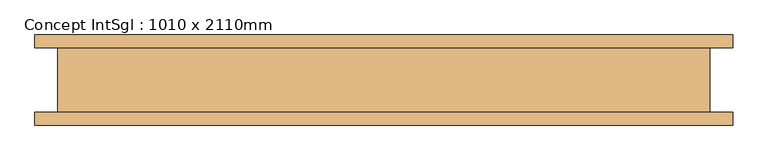
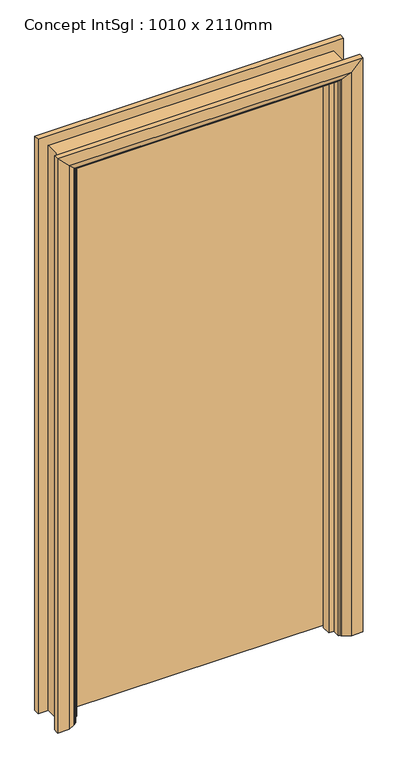
"""IFC4 building model written with IfcOpenShell, lengths in millimetres: door geometry, Concept IntSgl : 1010 x 2110mm."""

import ifcopenshell
import ifcopenshell.guid

model = None  # the IFC model being written
_history = None  # IfcOwnerHistory: only IFC2X3 demands one
_inside = {}  # id of a spatial element -> (the spatial element, [elements in it])
_under = {}  # id of a project, library or spatial element -> (it, [spatial elements below it])
_declared = {}  # id of a project -> (the project, [libraries it declares])
_typed = {}  # id of a type object -> (the type object, [elements of that type])
_made_of = {}  # id of a material, layer set ... -> (it, [elements and type objects made of it])


def new_model(schema):
    """Start an empty IFC model of exactly this schema.

    Asked for "IFC4X3", IfcOpenShell would pick the latest addendum, in which some entities
    have other attributes; the version numbers below select the first issue.
    IFC2X3 requires an IfcOwnerHistory on every rooted entity: one is made here for all.
    """
    global model, _history
    if schema == "IFC4X3":
        model = ifcopenshell.file(schema_version=(4, 3, 0, 0))
    else:
        model = ifcopenshell.file(schema=schema)
    _inside.clear()
    _under.clear()
    _declared.clear()
    _typed.clear()
    _made_of.clear()
    _history = None
    if model.schema == "IFC2X3":
        org = make("IfcOrganization", Name="unknown")
        user = make(
            "IfcPersonAndOrganization",
            ThePerson=make("IfcPerson", FamilyName="unknown"),
            TheOrganization=org,
        )
        app = make(
            "IfcApplication",
            ApplicationDeveloper=org,
            Version="unknown",
            ApplicationFullName="unknown",
            ApplicationIdentifier="unknown",
        )
        _history = make(
            "IfcOwnerHistory",
            OwningUser=user,
            OwningApplication=app,
            ChangeAction="ADDED",
            CreationDate=0,
        )
    return model


def make(cls, **values):
    """One entity of the class cls with the attributes given. An attribute that is None is left unset."""
    return model.create_entity(
        cls, **{name: value for name, value in values.items() if value is not None}
    )


def rooted(cls, **values):
    """An entity with a GlobalId (a new one), such as an element, a storey or a relation."""
    return make(cls, GlobalId=ifcopenshell.guid.new(), OwnerHistory=_history, **values)


def si_unit(unit_type, name, prefix=None):
    """IfcSIUnit, for example si_unit("LENGTHUNIT", "METRE", prefix="MILLI")."""
    return make("IfcSIUnit", UnitType=unit_type, Prefix=prefix, Name=name)


def assignment(units):
    """IfcUnitAssignment: the units of a project."""
    return None if units is None else make("IfcUnitAssignment", Units=units)


def point(xyz):
    """IfcCartesianPoint."""
    return None if xyz is None else make("IfcCartesianPoint", Coordinates=xyz)


def direction(xyz):
    """IfcDirection."""
    return None if xyz is None else make("IfcDirection", DirectionRatios=xyz)


def frame(location, z_axis=None, x_axis=None):
    """IfcAxis2Placement3D, a coordinate frame: its origin and axes. An axis left out is left unset."""
    return make(
        "IfcAxis2Placement3D",
        Location=point(location),
        Axis=direction(z_axis),
        RefDirection=direction(x_axis),
    )


def origin():
    """The frame at (0, 0, 0) with its axes left unset."""
    return frame((0.0, 0.0, 0.0))


def place(relative_to, where):
    """IfcLocalPlacement: puts the frame where relative to a parent placement (None: the world)."""
    return make(
        "IfcLocalPlacement", PlacementRelTo=relative_to, RelativePlacement=where
    )


def context(
    kind, dimensions, precision=None, world=None, true_north=None, identifier=None
):
    """IfcGeometricRepresentationContext, for example the 3D "Model" context."""
    return make(
        "IfcGeometricRepresentationContext",
        ContextIdentifier=identifier,
        ContextType=kind,
        CoordinateSpaceDimension=dimensions,
        Precision=precision,
        WorldCoordinateSystem=world,
        TrueNorth=true_north,
    )


def project(units=None, contexts=None):
    """IfcProject with its units and contexts."""
    return rooted(
        "IfcProject",
        Name="project",
        RepresentationContexts=contexts,
        UnitsInContext=assignment(units),
    )


def spatial(cls, under=None, at=None, **own):
    """A site, building, storey or space (cls), placed at a placement, below another one or the project."""
    s = rooted(cls, ObjectPlacement=at, **own)
    if under is not None:
        _under.setdefault(under.id(), (under, []))[1].append(s)
    return s


def polyline(points):
    """IfcPolyline through the points."""
    return make("IfcPolyline", Points=[point(p) for p in points])


def circle_curve(where, radius):
    """IfcCircle in the frame where."""
    return make("IfcCircle", Position=where, Radius=radius)


def ellipse_curve(where, semi_axis1, semi_axis2):
    """IfcEllipse in the frame where."""
    return make(
        "IfcEllipse", Position=where, SemiAxis1=semi_axis1, SemiAxis2=semi_axis2
    )


def outline(outer, holes=None, kind="AREA"):
    """IfcArbitraryClosedProfileDef: a profile drawn as a closed curve; with holes, ...WithVoids."""
    if holes is None:
        return make("IfcArbitraryClosedProfileDef", ProfileType=kind, OuterCurve=outer)
    return make(
        "IfcArbitraryProfileDefWithVoids",
        ProfileType=kind,
        OuterCurve=outer,
        InnerCurves=holes,
    )


def extrude(swept, where, along, depth):
    """IfcExtrudedAreaSolid: the profile swept, set in the frame where, extruded along a direction by depth."""
    return make(
        "IfcExtrudedAreaSolid",
        SweptArea=swept,
        Position=where,
        ExtrudedDirection=direction(along),
        Depth=depth,
    )


def faces_of(points, faces, orient=None, outer=None):
    """IfcFace entities. A face is a list of loops; a loop is a list of indices into points, from 0.

    orient and outer hold one flag for each loop. By default every Orientation is true, the
    first loop of a face is its IfcFaceOuterBound and the others are IfcFaceBound.
    """
    made = []
    for i, loops in enumerate(faces):
        bounds = []
        for j, loop in enumerate(loops):
            is_outer = j == 0 if outer is None else outer[i][j]
            bounds.append(
                make(
                    "IfcFaceOuterBound" if is_outer else "IfcFaceBound",
                    Bound=make("IfcPolyLoop", Polygon=[points[k] for k in loop]),
                    Orientation=True if orient is None else orient[i][j],
                )
            )
        made.append(make("IfcFace", Bounds=bounds))
    return made


def faceted_brep(points, faces, orient=None, outer=None, voids=None):
    """IfcFacetedBrep: a solid bounded by flat faces; with voids (closed shells), ...WithVoids."""
    shared = [point(p) for p in points]
    hull = make("IfcClosedShell", CfsFaces=faces_of(shared, faces, orient, outer))
    if voids is None:
        return make("IfcFacetedBrep", Outer=hull)
    return make(
        "IfcFacetedBrepWithVoids",
        Outer=hull,
        Voids=[
            make(cls, CfsFaces=faces_of(shared, fs, o, b)) for cls, fs, o, b in voids
        ],
    )


def shape(context_of_items, identifier, shape_type, items):
    """IfcShapeRepresentation: the items that make up one representation, for example the "Body"."""
    return make(
        "IfcShapeRepresentation",
        ContextOfItems=context_of_items,
        RepresentationIdentifier=identifier,
        RepresentationType=shape_type,
        Items=items,
    )


def source(mapping_origin, context_of_items, identifier, shape_type, items):
    """IfcRepresentationMap: a shape defined once, which mapped items show again and again."""
    return make(
        "IfcRepresentationMap",
        MappingOrigin=mapping_origin,
        MappedRepresentation=shape(context_of_items, identifier, shape_type, items),
    )


def transform(
    local_origin,
    x_axis=None,
    y_axis=None,
    z_axis=None,
    scale=None,
    scale2=None,
    scale3=None,
    uniform=True,
):
    """IfcCartesianTransformationOperator3D, or its non-uniform kind. x_axis, y_axis, z_axis: its Axis1, 2, 3."""
    if uniform:
        return make(
            "IfcCartesianTransformationOperator3D",
            Axis1=direction(x_axis),
            Axis2=direction(y_axis),
            LocalOrigin=point(local_origin),
            Scale=scale,
            Axis3=direction(z_axis),
        )
    return make(
        "IfcCartesianTransformationOperator3DnonUniform",
        Axis1=direction(x_axis),
        Axis2=direction(y_axis),
        LocalOrigin=point(local_origin),
        Scale=scale,
        Axis3=direction(z_axis),
        Scale2=scale2,
        Scale3=scale3,
    )


def mapped(mapping_source, mapping_target):
    """IfcMappedItem: shows the shape of a source again, moved by a transform."""
    return make(
        "IfcMappedItem", MappingSource=mapping_source, MappingTarget=mapping_target
    )


def made_of(thing, what):
    """Note that an element or type object is made of a material, layer set ...; save() writes the relation."""
    if what is not None:
        _made_of.setdefault(what.id(), (what, []))[1].append(thing)
    return thing


def element(
    cls,
    number,
    at=None,
    inside=None,
    cuts=None,
    type_object=None,
    material=None,
    context=None,
    identifier="Body",
    shape_type=None,
    held_by="IfcProductDefinitionShape",
    body=None,
    shapes=None,
    **own,
):
    """One element of the class cls, such as IfcWall. Its Tag is "e" and its number.

    at: its placement. inside: the storey or other place that contains it. cuts: it is an
    opening in that element (IfcRelVoidsElement). A single representation is given by context,
    identifier, shape_type and body (its items); several are given by shapes. held_by: the class
    of the entity that holds the representations. save() writes the other relations.
    """
    e = rooted(cls, Tag="e%d" % number, ObjectPlacement=at, **own)
    if body is not None:
        shapes = [shape(context, identifier, shape_type, body)]
    if shapes is not None:
        e.Representation = make(held_by, Representations=shapes)
    if inside is not None:
        _inside.setdefault(inside.id(), (inside, []))[1].append(e)
    if cuts is not None:
        rooted(
            "IfcRelVoidsElement", RelatingBuildingElement=cuts, RelatedOpeningElement=e
        )
    if type_object is not None:
        _typed.setdefault(type_object.id(), (type_object, []))[1].append(e)
    return made_of(e, material)


def aggregate(whole, parts):
    """IfcRelAggregates: a whole, such as a stair, and the parts it consists of."""
    return rooted("IfcRelAggregates", RelatingObject=whole, RelatedObjects=parts)


def save(model, path):
    """Write the relations noted so far, then the file.

    IfcRelAggregates (storeys below a building ...), IfcRelContainedInSpatialStructure (elements
    in a storey), IfcRelDefinesByType, IfcRelAssociatesMaterial and IfcRelDeclares: one each for
    every whole, place, type object, material and project.
    """
    for whole, parts in _under.values():
        aggregate(whole, parts)
    for where, things in _inside.values():
        rooted(
            "IfcRelContainedInSpatialStructure",
            RelatedElements=things,
            RelatingStructure=where,
        )
    for kind, things in _typed.values():
        rooted("IfcRelDefinesByType", RelatedObjects=things, RelatingType=kind)
    for what, things in _made_of.values():
        rooted("IfcRelAssociatesMaterial", RelatedObjects=things, RelatingMaterial=what)
    for by, libraries in _declared.values():
        rooted("IfcRelDeclares", RelatingContext=by, RelatedDefinitions=libraries)
    model.write(path)


def plane_surface(at):
    """IfcPlane: the flat surface through the origin of the frame at, square to its z axis."""
    return make("IfcPlane", Position=at)


def cylinder_surface(at, radius):
    """IfcCylindricalSurface: all points at the distance radius from the z axis of the frame at."""
    return make("IfcCylindricalSurface", Position=at, Radius=radius)


def advanced_brep(points, edges, surfaces, faces):
    """IfcAdvancedBrep: a solid bounded by faces that lie on surfaces and meet in shared edges.

    An edge is (start, end): straight between two places in points (the first is 0);
    or (start, end, curve); or (start, end, curve, False) where it runs against its curve.
    A face is (place in surfaces, loops), or (place, loops, False) where it looks against
    its surface's normal. A loop lists edges by number (the first is 1), with a minus sign
    where the edge is run from its end to its start. The first loop is the outer one.
    """
    corners = [point(p) for p in points]
    vertices = [make("IfcVertexPoint", VertexGeometry=c) for c in corners]
    made = []
    for start, end, *more in edges:
        made.append(
            make(
                "IfcEdgeCurve",
                EdgeStart=vertices[start],
                EdgeEnd=vertices[end],
                EdgeGeometry=more[0] if more else make("IfcPolyline", Points=[corners[start], corners[end]]),
                SameSense=more[1] if len(more) > 1 else True,
            )
        )
    hull = []
    for where, loops, *sense in faces:
        bounds = []
        for j, loop in enumerate(loops):
            ring = [make("IfcOrientedEdge", EdgeElement=made[abs(k) - 1], Orientation=k > 0) for k in loop]
            bounds.append(
                make(
                    "IfcFaceOuterBound" if j == 0 else "IfcFaceBound",
                    Bound=make("IfcEdgeLoop", EdgeList=ring),
                    Orientation=True,
                )
            )
        hull.append(make("IfcAdvancedFace", Bounds=bounds, FaceSurface=surfaces[where], SameSense=sense[0] if sense else True))
    return make("IfcAdvancedBrep", Outer=make("IfcClosedShell", CfsFaces=hull))


def concept_intsgl_1010_x_2110mm_6d8a6c71(model_context):
    return source(origin(), model_context, "Body", "SolidModel", [
        extrude(outline(polyline([(463.0, 12.0), (-463.0, 12.0), (-463.0, 50.0), (463.0, 50.0), (463.0, 12.0)])), frame((0.0, 0.0, 8.0), z_axis=(0.0, 0.0, 1.0), x_axis=(1.0, 0.0, 0.0)), (0.0, 0.0, 1.0), 2060.0),
        advanced_brep(
        [(540.0, 70.0, 0.0), (540.0, 50.0, 0.0), (470.0, 50.0, 0.0), (474.0, 56.0, 0.0), (500.0, 70.0, 0.0), (540.0, 70.0, 2145.0), (540.0, 50.0, 2145.0), (-540.0, 50.0, 2145.0), (-540.0, 50.0, 0.0), (-470.0, 50.0, 0.0), (-470.0, 50.0, 2075.0), (470.0, 50.0, 2075.0), (474.0, 56.0, 2079.0), (500.0, 70.0, 2105.0), (-500.0, 70.0, 2105.0), (-500.0, 70.0, 0.0), (-540.0, 70.0, 0.0), (-540.0, 70.0, 2145.0), (-474.0, 56.0, 0.0), (-474.0, 56.0, 2079.0)],
        [
            (0, 1),
            (1, 2),
            (2, 3, circle_curve(frame((478.0, 49.0, 0.0), z_axis=(0.0, 0.0, -1.0), x_axis=(1.0, 0.0, 0.0)), 8.0622577)),
            (3, 4),
            (4, 0),
            (0, 5),
            (5, 6),
            (6, 1),
            (6, 7),
            (7, 8),
            (8, 9),
            (9, 10),
            (10, 11),
            (11, 2),
            (11, 12, ellipse_curve(frame((478.0, 49.0, 2083.0), z_axis=(0.7071067811865475, 0.0, -0.7071067811865475), x_axis=(-0.7071067811865474, 0.0, -0.7071067811865476)), 11.4017543, 8.0622577)),
            (12, 3),
            (12, 13),
            (13, 4),
            (13, 14),
            (14, 15),
            (15, 16),
            (16, 17),
            (17, 5),
            (7, 17),
            (16, 8),
            (15, 18),
            (18, 9, circle_curve(frame((-478.0, 49.0, 0.0), z_axis=(0.0, 0.0, -1.0), x_axis=(-1.0, 0.0, 0.0)), 8.0622577)),
            (19, 10, ellipse_curve(frame((-478.0, 49.0, 2083.0), z_axis=(-0.7071067811865475, 0.0, -0.7071067811865475), x_axis=(-0.7071067811865474, 0.0, 0.7071067811865476)), 11.4017543, 8.0622577)),
            (18, 19),
            (14, 19),
            (19, 12),
        ],
        [
            plane_surface(frame((470.0, 50.0, 0.0), z_axis=(0.0, 0.0, -1.0), x_axis=(0.0, -1.0, 0.0))),
            plane_surface(frame((540.0, 70.0, 0.0), z_axis=(1.0, 0.0, 0.0), x_axis=(0.0, 0.0, 1.0))),
            plane_surface(frame((540.0, 50.0, 0.0), z_axis=(0.0, -1.0, 0.0), x_axis=(0.0, 0.0, 1.0))),
            cylinder_surface(frame((478.0, 49.0, 0.0), z_axis=(0.0, 0.0, -1.0), x_axis=(1.0, 0.0, 0.0)), 8.0622577),
            plane_surface(frame((474.0, 56.0, 0.0), z_axis=(-0.4740998230350126, 0.880471099922178, 0.0), x_axis=(0.0, 0.0, 1.0))),
            plane_surface(frame((500.0, 70.0, 0.0), z_axis=(0.0, 1.0, 0.0), x_axis=(0.0, 0.0, 1.0))),
            plane_surface(frame((-540.0, 70.0, 2145.0), z_axis=(-1.0, 0.0, 0.0), x_axis=(0.0, 0.0, -1.0))),
            plane_surface(frame((-470.0, 50.0, 0.0), z_axis=(0.0, 0.0, -1.0), x_axis=(0.0, -1.0, 0.0))),
            cylinder_surface(frame((-478.0, 49.0, 2075.0), z_axis=(0.0, 0.0, 1.0), x_axis=(-1.0, 0.0, 0.0)), 8.0622577),
            plane_surface(frame((-474.0, 56.0, 2079.0), z_axis=(0.47409982303501824, 0.8804710999221749, 0.0), x_axis=(0.0, 0.0, -1.0))),
            plane_surface(frame((540.0, 70.0, 2145.0), z_axis=(0.0, 0.0, 1.0), x_axis=(-1.0, 0.0, 0.0))),
            cylinder_surface(frame((470.0, 49.0, 2083.0), z_axis=(1.0, 0.0, 0.0), x_axis=(0.0, 0.0, 1.0)), 8.0622577),
            plane_surface(frame((474.0, 56.0, 2079.0), z_axis=(0.0, 0.8804710999221764, -0.4740998230350154), x_axis=(-1.0, 0.0, 0.0))),
        ],
        [
            (0, [[1, 2, 3, 4, 5]]),
            (1, [[-1, 6, 7, 8]]),
            (2, [[-2, -8, 9, 10, 11, 12, 13, 14]]),
            (3, [[-3, -14, 15, 16]]),
            (4, [[-4, -16, 17, 18]]),
            (5, [[-5, -18, 19, 20, 21, 22, 23, -6]]),
            (6, [[24, -22, 25, -10]]),
            (7, [[-21, 26, 27, -11, -25]]),
            (8, [[28, -12, -27, 29]]),
            (9, [[30, -29, -26, -20]]),
            (10, [[-7, -23, -24, -9]]),
            (11, [[-15, -13, -28, 31]]),
            (12, [[-17, -31, -30, -19]]),
        ],
    ),
        extrude(outline(polyline([(0.0, -465.0), (0.0, -446.0), (2051.0, -446.0), (2051.0, 446.0), (0.0, 446.0), (0.0, 465.0), (2070.0, 465.0), (2070.0, -465.0), (0.0, -465.0)])), frame((0.0, -22.0, 0.0), z_axis=(0.0, 1.0, 0.0), x_axis=(0.0, 0.0, 1.0)), (0.0, 0.0, 1.0), 32.0),
        advanced_brep(
        [(-540.0, -70.0, 0.0), (-540.0, -50.0, 0.0), (-470.0, -50.0, 0.0), (-474.0, -56.0, 0.0), (-500.0, -70.0, 0.0), (-540.0, -70.0, 2145.0), (-540.0, -50.0, 2145.0), (-470.0, -50.0, 2075.0), (-474.0, -56.0, 2079.0), (-500.0, -70.0, 2105.0), (540.0, -70.0, 0.0), (500.0, -70.0, 0.0), (474.0, -56.0, 0.0), (470.0, -50.0, 0.0), (540.0, -50.0, 0.0), (540.0, -70.0, 2145.0), (500.0, -70.0, 2105.0), (474.0, -56.0, 2079.0), (470.0, -50.0, 2075.0), (540.0, -50.0, 2145.0)],
        [
            (0, 1),
            (1, 2),
            (2, 3, circle_curve(frame((-478.0, -49.0, 0.0), z_axis=(0.0, 0.0, -1.0), x_axis=(-1.0, 0.0, 0.0)), 8.0622577)),
            (3, 4),
            (4, 0),
            (0, 5),
            (5, 6),
            (6, 1),
            (6, 7),
            (7, 2),
            (7, 8, ellipse_curve(frame((-478.0, -49.0, 2083.0), z_axis=(-0.7071067811865475, 0.0, -0.7071067811865475), x_axis=(0.7071067811865474, 0.0, -0.7071067811865476)), 11.4017543, 8.0622577)),
            (8, 3),
            (8, 9),
            (9, 4),
            (9, 5),
            (10, 11),
            (11, 12),
            (12, 13, circle_curve(frame((478.0, -49.0, 0.0), z_axis=(0.0, 0.0, -1.0), x_axis=(1.0, 0.0, 0.0)), 8.0622577)),
            (13, 14),
            (14, 10),
            (15, 16),
            (16, 11),
            (10, 15),
            (16, 17),
            (17, 12),
            (17, 18, ellipse_curve(frame((478.0, -49.0, 2083.0), z_axis=(0.7071067811865475, 0.0, -0.7071067811865475), x_axis=(0.7071067811865474, 0.0, 0.7071067811865476)), 11.4017543, 8.0622577)),
            (18, 13),
            (18, 19),
            (19, 14),
            (19, 15),
            (5, 15),
            (19, 6),
            (18, 7),
            (17, 8),
            (16, 9),
        ],
        [
            plane_surface(frame((-470.0, -122.8010989, 0.0), z_axis=(0.0, 0.0, -1.0), x_axis=(1.0, 0.0, 0.0))),
            plane_surface(frame((-540.0, -70.0, 0.0), z_axis=(-1.0, 0.0, 0.0), x_axis=(0.0, 0.0, 1.0))),
            plane_surface(frame((-540.0, -50.0, 0.0), z_axis=(0.0, 1.0, 0.0), x_axis=(0.0, 0.0, 1.0))),
            cylinder_surface(frame((-478.0, -49.0, 0.0), z_axis=(0.0, 0.0, -1.0), x_axis=(-1.0, 0.0, 0.0)), 8.0622577),
            plane_surface(frame((-474.0, -56.0, 0.0), z_axis=(0.4740998230350183, -0.8804710999221749, 0.0), x_axis=(0.0, 0.0, 1.0))),
            plane_surface(frame((-500.0, -70.0, 0.0), z_axis=(0.0, -1.0, 0.0), x_axis=(0.0, 0.0, 1.0))),
            plane_surface(frame((470.0, -122.8010989, 0.0), z_axis=(0.0, 0.0, -1.0), x_axis=(-1.0, 0.0, 0.0))),
            plane_surface(frame((500.0, -70.0, 2105.0), z_axis=(0.0, -1.0, 0.0), x_axis=(0.0, 0.0, -1.0))),
            plane_surface(frame((474.0, -56.0, 2079.0), z_axis=(-0.4740998230350183, -0.8804710999221749, 0.0), x_axis=(0.0, 0.0, -1.0))),
            cylinder_surface(frame((478.0, -49.0, 2075.0), z_axis=(0.0, 0.0, 1.0), x_axis=(1.0, 0.0, 0.0)), 8.0622577),
            plane_surface(frame((540.0, -50.0, 2145.0), z_axis=(0.0, 1.0, 0.0), x_axis=(0.0, 0.0, -1.0))),
            plane_surface(frame((540.0, -70.0, 2145.0), z_axis=(1.0, 0.0, 0.0), x_axis=(0.0, 0.0, -1.0))),
            plane_surface(frame((-540.0, -70.0, 2145.0), z_axis=(0.0, 0.0, 1.0), x_axis=(1.0, 0.0, 0.0))),
            plane_surface(frame((-540.0, -50.0, 2145.0), z_axis=(0.0, 1.0, 0.0), x_axis=(1.0, 0.0, 0.0))),
            cylinder_surface(frame((-470.0, -49.0, 2083.0), z_axis=(-1.0, 0.0, 0.0), x_axis=(0.0, 0.0, 1.0)), 8.0622577),
            plane_surface(frame((-474.0, -56.0, 2079.0), z_axis=(0.0, -0.8804710999221749, -0.4740998230350183), x_axis=(1.0, 0.0, 0.0))),
            plane_surface(frame((-500.0, -70.0, 2105.0), z_axis=(0.0, -1.0, 0.0), x_axis=(1.0, 0.0, 0.0))),
        ],
        [
            (0, [[1, 2, 3, 4, 5]]),
            (1, [[-1, 6, 7, 8]]),
            (2, [[-2, -8, 9, 10]]),
            (3, [[-3, -10, 11, 12]]),
            (4, [[-4, -12, 13, 14]]),
            (5, [[-5, -14, 15, -6]]),
            (6, [[16, 17, 18, 19, 20]]),
            (7, [[21, 22, -16, 23]]),
            (8, [[24, 25, -17, -22]]),
            (9, [[26, 27, -18, -25]]),
            (10, [[28, 29, -19, -27]]),
            (11, [[30, -23, -20, -29]]),
            (12, [[-7, 31, -30, 32]]),
            (13, [[-9, -32, -28, 33]]),
            (14, [[-11, -33, -26, 34]]),
            (15, [[-13, -34, -24, 35]]),
            (16, [[-15, -35, -21, -31]]),
        ],
    ),
        faceted_brep([(-465.0, -50.0, 0.0), (-505.0, -50.0, 0.0), (-505.0, 50.0, 0.0), (-465.0, 50.0, 0.0), (-465.0, -50.0, 2070.0), (-505.0, -50.0, 2110.0), (-505.0, 50.0, 2110.0), (-465.0, 50.0, 2070.0), (465.0, -50.0, 0.0), (465.0, 50.0, 0.0), (505.0, 50.0, 0.0), (505.0, -50.0, 0.0), (465.0, -50.0, 2070.0), (465.0, 50.0, 2070.0), (505.0, 50.0, 2110.0), (505.0, -50.0, 2110.0)], [[[0, 1, 2, 3]], [[1, 0, 4, 5]], [[2, 1, 5, 6]], [[3, 2, 6, 7]], [[0, 3, 7, 4]], [[8, 9, 10, 11]], [[12, 13, 9, 8]], [[13, 14, 10, 9]], [[14, 15, 11, 10]], [[15, 12, 8, 11]], [[5, 4, 12, 15]], [[6, 5, 15, 14]], [[7, 6, 14, 13]], [[4, 7, 13, 12]]]),
    ])


if __name__ == "__main__":
    model = new_model("IFC4")
    model_context = context("Model", 3, world=origin())
    ifc_project = project(units=[si_unit("LENGTHUNIT", "METRE", prefix="MILLI")], contexts=[model_context])
    site = spatial("IfcSite", under=ifc_project)
    building = spatial("IfcBuilding", under=site)
    placement = place(None, origin())
    concept_intsgl_1010_x_2110mm_shape = concept_intsgl_1010_x_2110mm_6d8a6c71(model_context)
    element("IfcDoor", 1, ObjectType="Concept IntSgl : 1010 x 2110mm", at=placement, inside=building, context=model_context, shape_type="MappedRepresentation", body=[
        mapped(concept_intsgl_1010_x_2110mm_shape, transform((0.0, 0.0, 0.0), x_axis=(1.0, 0.0, 0.0), y_axis=(0.0, 1.0, 0.0), z_axis=(0.0, 0.0, 1.0))),
    ])
    save(model, "model.ifc")
